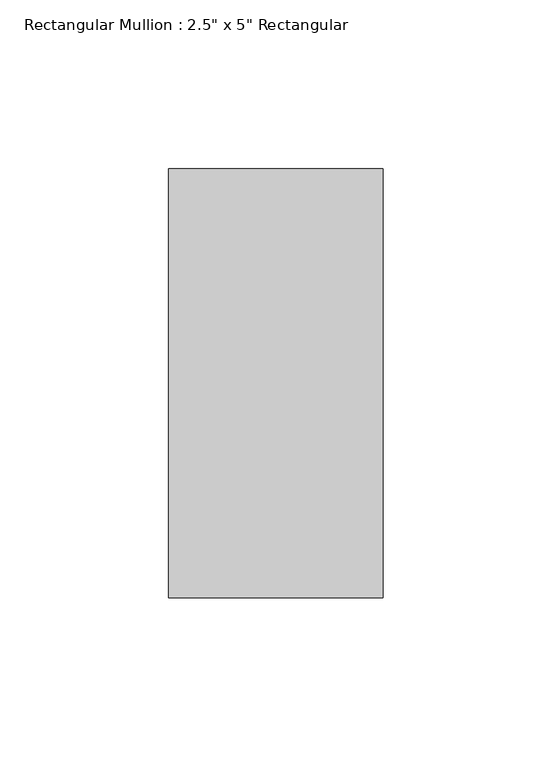
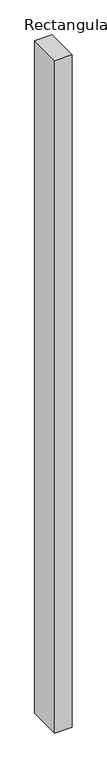
"""IFC4 building model written with IfcOpenShell, lengths in millimetres: member geometry."""

import ifcopenshell
import ifcopenshell.guid

model = None  # the IFC model being written
_history = None  # IfcOwnerHistory: only IFC2X3 demands one
_inside = {}  # id of a spatial element -> (the spatial element, [elements in it])
_under = {}  # id of a project, library or spatial element -> (it, [spatial elements below it])
_declared = {}  # id of a project -> (the project, [libraries it declares])
_typed = {}  # id of a type object -> (the type object, [elements of that type])
_made_of = {}  # id of a material, layer set ... -> (it, [elements and type objects made of it])


def new_model(schema):
    """Start an empty IFC model of exactly this schema.

    Asked for "IFC4X3", IfcOpenShell would pick the latest addendum, in which some entities
    have other attributes; the version numbers below select the first issue.
    IFC2X3 requires an IfcOwnerHistory on every rooted entity: one is made here for all.
    """
    global model, _history
    if schema == "IFC4X3":
        model = ifcopenshell.file(schema_version=(4, 3, 0, 0))
    else:
        model = ifcopenshell.file(schema=schema)
    _inside.clear()
    _under.clear()
    _declared.clear()
    _typed.clear()
    _made_of.clear()
    _history = None
    if model.schema == "IFC2X3":
        org = make("IfcOrganization", Name="unknown")
        user = make(
            "IfcPersonAndOrganization",
            ThePerson=make("IfcPerson", FamilyName="unknown"),
            TheOrganization=org,
        )
        app = make(
            "IfcApplication",
            ApplicationDeveloper=org,
            Version="unknown",
            ApplicationFullName="unknown",
            ApplicationIdentifier="unknown",
        )
        _history = make(
            "IfcOwnerHistory",
            OwningUser=user,
            OwningApplication=app,
            ChangeAction="ADDED",
            CreationDate=0,
        )
    return model


def make(cls, **values):
    """One entity of the class cls with the attributes given. An attribute that is None is left unset."""
    return model.create_entity(
        cls, **{name: value for name, value in values.items() if value is not None}
    )


def rooted(cls, **values):
    """An entity with a GlobalId (a new one), such as an element, a storey or a relation."""
    return make(cls, GlobalId=ifcopenshell.guid.new(), OwnerHistory=_history, **values)


def si_unit(unit_type, name, prefix=None):
    """IfcSIUnit, for example si_unit("LENGTHUNIT", "METRE", prefix="MILLI")."""
    return make("IfcSIUnit", UnitType=unit_type, Prefix=prefix, Name=name)


def assignment(units):
    """IfcUnitAssignment: the units of a project."""
    return None if units is None else make("IfcUnitAssignment", Units=units)


def point(xyz):
    """IfcCartesianPoint."""
    return None if xyz is None else make("IfcCartesianPoint", Coordinates=xyz)


def direction(xyz):
    """IfcDirection."""
    return None if xyz is None else make("IfcDirection", DirectionRatios=xyz)


def frame(location, z_axis=None, x_axis=None):
    """IfcAxis2Placement3D, a coordinate frame: its origin and axes. An axis left out is left unset."""
    return make(
        "IfcAxis2Placement3D",
        Location=point(location),
        Axis=direction(z_axis),
        RefDirection=direction(x_axis),
    )


def origin():
    """The frame at (0, 0, 0) with its axes left unset."""
    return frame((0.0, 0.0, 0.0))


def place(relative_to, where):
    """IfcLocalPlacement: puts the frame where relative to a parent placement (None: the world)."""
    return make(
        "IfcLocalPlacement", PlacementRelTo=relative_to, RelativePlacement=where
    )


def context(
    kind, dimensions, precision=None, world=None, true_north=None, identifier=None
):
    """IfcGeometricRepresentationContext, for example the 3D "Model" context."""
    return make(
        "IfcGeometricRepresentationContext",
        ContextIdentifier=identifier,
        ContextType=kind,
        CoordinateSpaceDimension=dimensions,
        Precision=precision,
        WorldCoordinateSystem=world,
        TrueNorth=true_north,
    )


def project(units=None, contexts=None):
    """IfcProject with its units and contexts."""
    return rooted(
        "IfcProject",
        Name="project",
        RepresentationContexts=contexts,
        UnitsInContext=assignment(units),
    )


def spatial(cls, under=None, at=None, **own):
    """A site, building, storey or space (cls), placed at a placement, below another one or the project."""
    s = rooted(cls, ObjectPlacement=at, **own)
    if under is not None:
        _under.setdefault(under.id(), (under, []))[1].append(s)
    return s


def polyline(points):
    """IfcPolyline through the points."""
    return make("IfcPolyline", Points=[point(p) for p in points])


def outline(outer, holes=None, kind="AREA"):
    """IfcArbitraryClosedProfileDef: a profile drawn as a closed curve; with holes, ...WithVoids."""
    if holes is None:
        return make("IfcArbitraryClosedProfileDef", ProfileType=kind, OuterCurve=outer)
    return make(
        "IfcArbitraryProfileDefWithVoids",
        ProfileType=kind,
        OuterCurve=outer,
        InnerCurves=holes,
    )


def extrude(swept, where, along, depth):
    """IfcExtrudedAreaSolid: the profile swept, set in the frame where, extruded along a direction by depth."""
    return make(
        "IfcExtrudedAreaSolid",
        SweptArea=swept,
        Position=where,
        ExtrudedDirection=direction(along),
        Depth=depth,
    )


def shape(context_of_items, identifier, shape_type, items):
    """IfcShapeRepresentation: the items that make up one representation, for example the "Body"."""
    return make(
        "IfcShapeRepresentation",
        ContextOfItems=context_of_items,
        RepresentationIdentifier=identifier,
        RepresentationType=shape_type,
        Items=items,
    )


def source(mapping_origin, context_of_items, identifier, shape_type, items):
    """IfcRepresentationMap: a shape defined once, which mapped items show again and again."""
    return make(
        "IfcRepresentationMap",
        MappingOrigin=mapping_origin,
        MappedRepresentation=shape(context_of_items, identifier, shape_type, items),
    )


def transform(
    local_origin,
    x_axis=None,
    y_axis=None,
    z_axis=None,
    scale=None,
    scale2=None,
    scale3=None,
    uniform=True,
):
    """IfcCartesianTransformationOperator3D, or its non-uniform kind. x_axis, y_axis, z_axis: its Axis1, 2, 3."""
    if uniform:
        return make(
            "IfcCartesianTransformationOperator3D",
            Axis1=direction(x_axis),
            Axis2=direction(y_axis),
            LocalOrigin=point(local_origin),
            Scale=scale,
            Axis3=direction(z_axis),
        )
    return make(
        "IfcCartesianTransformationOperator3DnonUniform",
        Axis1=direction(x_axis),
        Axis2=direction(y_axis),
        LocalOrigin=point(local_origin),
        Scale=scale,
        Axis3=direction(z_axis),
        Scale2=scale2,
        Scale3=scale3,
    )


def mapped(mapping_source, mapping_target):
    """IfcMappedItem: shows the shape of a source again, moved by a transform."""
    return make(
        "IfcMappedItem", MappingSource=mapping_source, MappingTarget=mapping_target
    )


def made_of(thing, what):
    """Note that an element or type object is made of a material, layer set ...; save() writes the relation."""
    if what is not None:
        _made_of.setdefault(what.id(), (what, []))[1].append(thing)
    return thing


def element(
    cls,
    number,
    at=None,
    inside=None,
    cuts=None,
    type_object=None,
    material=None,
    context=None,
    identifier="Body",
    shape_type=None,
    held_by="IfcProductDefinitionShape",
    body=None,
    shapes=None,
    **own,
):
    """One element of the class cls, such as IfcWall. Its Tag is "e" and its number.

    at: its placement. inside: the storey or other place that contains it. cuts: it is an
    opening in that element (IfcRelVoidsElement). A single representation is given by context,
    identifier, shape_type and body (its items); several are given by shapes. held_by: the class
    of the entity that holds the representations. save() writes the other relations.
    """
    e = rooted(cls, Tag="e%d" % number, ObjectPlacement=at, **own)
    if body is not None:
        shapes = [shape(context, identifier, shape_type, body)]
    if shapes is not None:
        e.Representation = make(held_by, Representations=shapes)
    if inside is not None:
        _inside.setdefault(inside.id(), (inside, []))[1].append(e)
    if cuts is not None:
        rooted(
            "IfcRelVoidsElement", RelatingBuildingElement=cuts, RelatedOpeningElement=e
        )
    if type_object is not None:
        _typed.setdefault(type_object.id(), (type_object, []))[1].append(e)
    return made_of(e, material)


def aggregate(whole, parts):
    """IfcRelAggregates: a whole, such as a stair, and the parts it consists of."""
    return rooted("IfcRelAggregates", RelatingObject=whole, RelatedObjects=parts)


def save(model, path):
    """Write the relations noted so far, then the file.

    IfcRelAggregates (storeys below a building ...), IfcRelContainedInSpatialStructure (elements
    in a storey), IfcRelDefinesByType, IfcRelAssociatesMaterial and IfcRelDeclares: one each for
    every whole, place, type object, material and project.
    """
    for whole, parts in _under.values():
        aggregate(whole, parts)
    for where, things in _inside.values():
        rooted(
            "IfcRelContainedInSpatialStructure",
            RelatedElements=things,
            RelatingStructure=where,
        )
    for kind, things in _typed.values():
        rooted("IfcRelDefinesByType", RelatedObjects=things, RelatingType=kind)
    for what, things in _made_of.values():
        rooted("IfcRelAssociatesMaterial", RelatedObjects=things, RelatingMaterial=what)
    for by, libraries in _declared.values():
        rooted("IfcRelDeclares", RelatingContext=by, RelatedDefinitions=libraries)
    model.write(path)


def member_e69b4e5a(model_context):
    return source(origin(), model_context, "Body", "SweptSolid", [
        extrude(outline(polyline([(31.75, 63.5), (31.75, -63.5), (-31.75, -63.5), (-31.75, 63.5), (31.75, 63.5)])), frame((0.0, 0.0, -2595.5625), z_axis=(0.0, 0.0, 1.0), x_axis=(1.0, 0.0, 0.0)), (0.0, 0.0, 1.0), 2595.5625),
    ])


if __name__ == "__main__":
    model = new_model("IFC4")
    model_context = context("Model", 3, world=origin())
    ifc_project = project(units=[si_unit("LENGTHUNIT", "METRE", prefix="MILLI")], contexts=[model_context])
    site = spatial("IfcSite", under=ifc_project)
    building = spatial("IfcBuilding", under=site)
    placement = place(None, origin())
    member_shape = member_e69b4e5a(model_context)
    element("IfcMember", 1, ObjectType="Rectangular Mullion : 2.5\" x 5\" Rectangular", at=placement, inside=building, context=model_context, shape_type="MappedRepresentation", body=[
        mapped(member_shape, transform((0.0, 0.0, 0.0), x_axis=(1.0, 0.0, 0.0), y_axis=(0.0, 1.0, 0.0), z_axis=(0.0, 0.0, 1.0))),
    ])
    save(model, "model.ifc")
